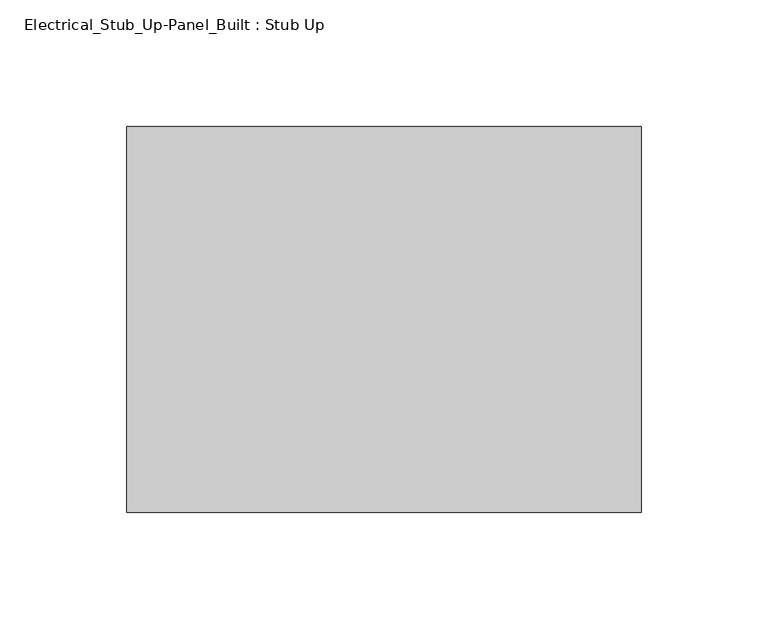
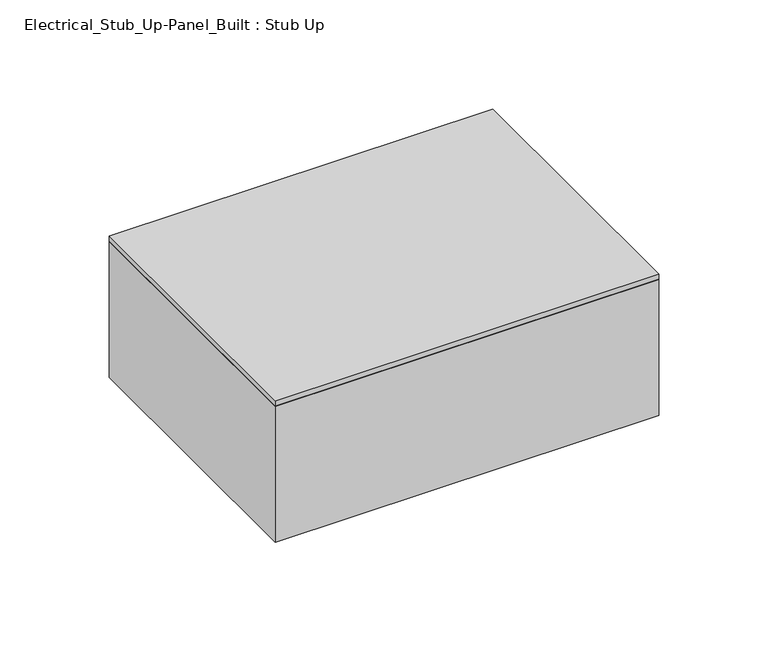
"""IFC4 building model written with IfcOpenShell, lengths in millimetres: proxy geometry, Electrical_Stub_Up-Panel_Built : Stub Up."""

from ifc_helpers import new_model, si_unit, frame, origin, origin_with_axes, place, context, project, spatial, polyline, outline, extrude, source, transform, mapped, element, save


def electrical_stub_up_panel_built_stub_up_2278f963(model_context):
    return source(origin(), model_context, "Body", "SweptSolid", [
        extrude(outline(polyline([(101.6, 76.2), (101.6, -76.2), (-101.6, -76.2), (-101.6, 76.2), (101.6, 76.2)])), frame((0.0, 0.0, -76.2), z_axis=(0.0, 0.0, 1.0), x_axis=(1.0, 0.0, 0.0)), (0.0, 0.0, 1.0), 76.2),
        extrude(outline(polyline([(101.6, 76.2), (101.6, -76.2), (-101.6, -76.2), (-101.6, 76.2), (101.6, 76.2)])), origin_with_axes(), (0.0, 0.0, 1.0), 3.175),
    ])


if __name__ == "__main__":
    model = new_model("IFC4")
    model_context = context("Model", 3, world=origin())
    ifc_project = project(units=[si_unit("LENGTHUNIT", "METRE", prefix="MILLI")], contexts=[model_context])
    site = spatial("IfcSite", under=ifc_project)
    building = spatial("IfcBuilding", under=site)
    placement = place(None, origin())
    electrical_stub_up_panel_built_stub_up_shape = electrical_stub_up_panel_built_stub_up_2278f963(model_context)
    element("IfcBuildingElementProxy", 1, Name="Electrical_Stub_Up-Panel_Built : Stub Up", ObjectType="Electrical_Stub_Up-Panel_Built : Stub Up", at=placement, inside=building, context=model_context, shape_type="MappedRepresentation", body=[
        mapped(electrical_stub_up_panel_built_stub_up_shape, transform((0.0, 0.0, 0.0), x_axis=(1.0, 0.0, 0.0), y_axis=(0.0, 1.0, 0.0), z_axis=(0.0, 0.0, 1.0))),
    ])
    save(model, "model.ifc")
